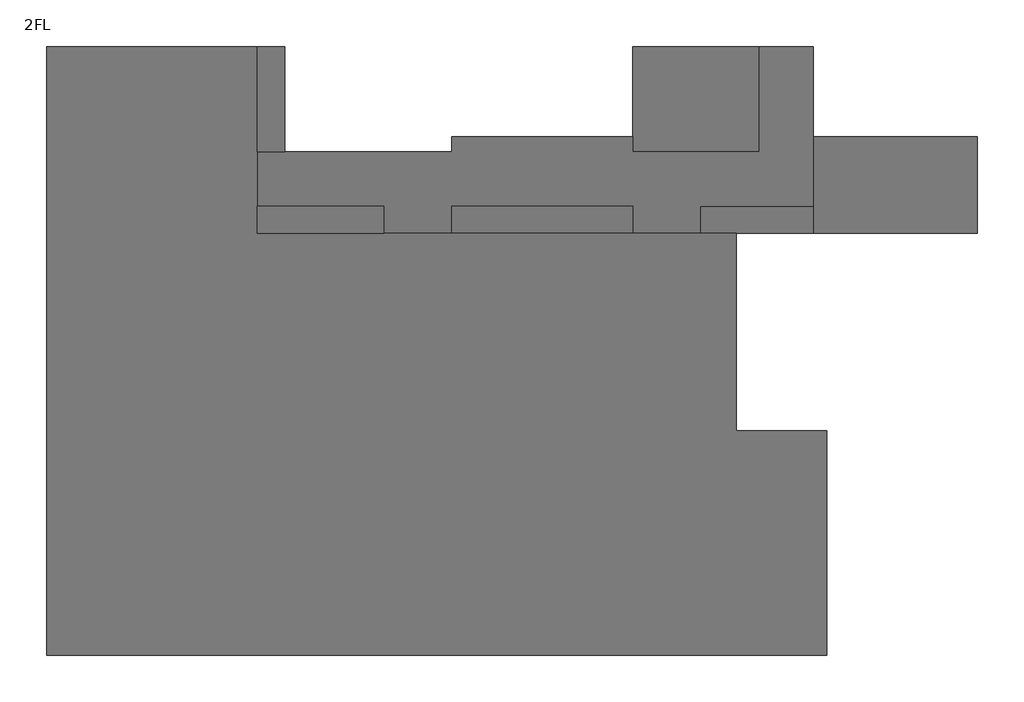
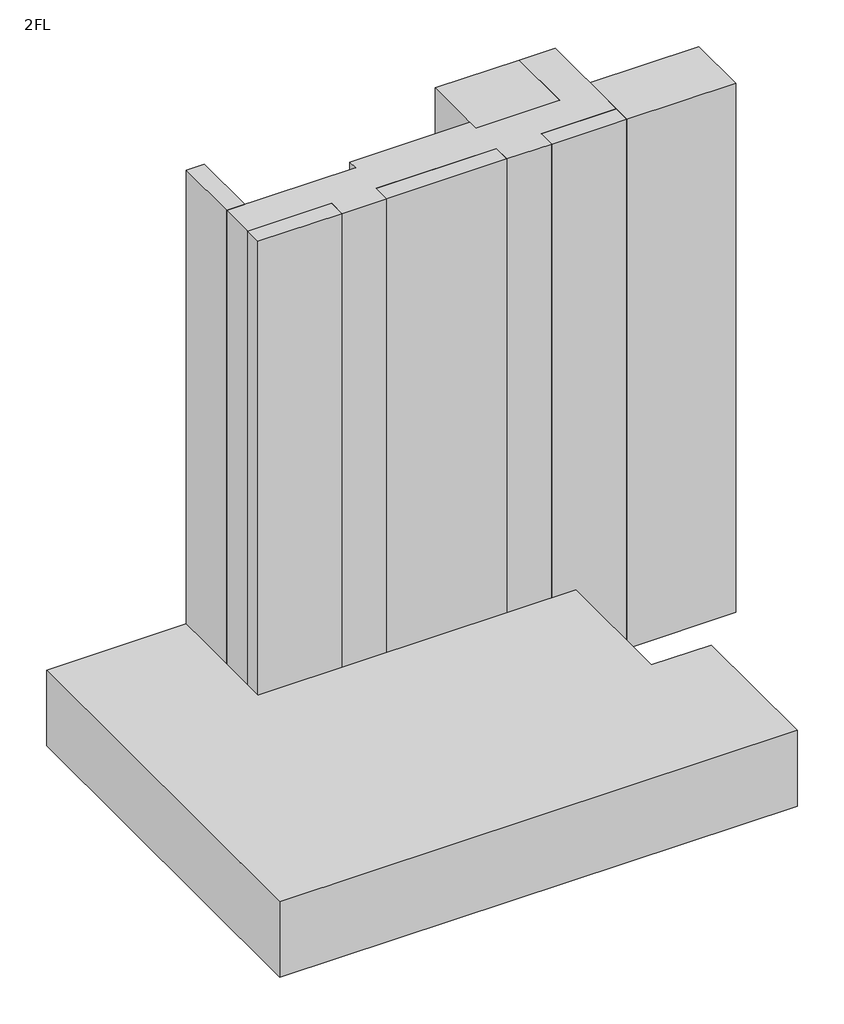
# One storey: 8 proxies.
"""IFC4 building model written with IfcOpenShell, lengths in millimetres."""

from ifc_helpers import new_model, si_unit, frame, origin, place, context, project, spatial, polyline, outline, extrude, element, save

model = new_model("IFC4")

# Units and contexts
model_context = context("Model", 3, world=origin())
ifc_project = project(units=[si_unit("LENGTHUNIT", "METRE", prefix="MILLI")], contexts=[model_context])

# Site, building, storey
site = spatial("IfcSite", under=ifc_project)
building = spatial("IfcBuilding", under=site)
storey = spatial("IfcBuildingStorey", under=building, Name="2FL", Elevation=4600.0)

# Proxies
placement = place(None, origin())
element("IfcBuildingElementProxy", 1, Name="Mass", at=placement, inside=storey, context=model_context, shape_type="SweptSolid", body=[
    extrude(outline(polyline([(-5195.9784025, 16649.6868987), (-5195.9784025, 13149.6868987), (-9395.9784025, 13149.6868987), (-9395.9784025, 16649.6868987), (-5195.9784025, 16649.6868987)])), frame((0.0, 0.0, 4600.0), z_axis=(0.0, 0.0, 1.0), x_axis=(1.0, 0.0, 0.0)), (0.0, 0.0, 1.0), 28000.0),
])
element("IfcBuildingElementProxy", 2, Name="Mass", at=placement, inside=storey, context=model_context, shape_type="SweptSolid", body=[
    extrude(outline(polyline([(2054.0215975, 13649.6868987), (2054.0215975, 10449.6868987), (-3395.9784025, 10449.6868987), (-3395.9784025, 13649.6868987), (2054.0215975, 13649.6868987)])), frame((0.0, 0.0, 4600.0), z_axis=(0.0, 0.0, 1.0), x_axis=(1.0, 0.0, 0.0)), (0.0, 0.0, 1.0), 28000.0),
])
element("IfcBuildingElementProxy", 3, Name="Mass", at=placement, inside=storey, context=model_context, shape_type="SweptSolid", body=[
    extrude(outline(polyline([(-20945.9784025, 16649.6868987), (-20945.9784025, 13149.6868987), (-21845.9784025, 13149.6868987), (-21845.9784025, 16649.6868987), (-20945.9784025, 16649.6868987)])), frame((0.0, 0.0, 4600.0), z_axis=(0.0, 0.0, 1.0), x_axis=(1.0, 0.0, 0.0)), (0.0, 0.0, 1.0), 28000.0),
])
element("IfcBuildingElementProxy", 4, Name="Mass", at=placement, inside=storey, context=model_context, shape_type="SweptSolid", body=[
    extrude(outline(polyline([(-17645.9784025, 11349.6868987), (-17645.9784025, 10449.6868987), (-21845.9784025, 10449.6868987), (-21845.9784025, 11349.6868987), (-17645.9784025, 11349.6868987)])), frame((0.0, 0.0, 4600.0), z_axis=(0.0, 0.0, 1.0), x_axis=(1.0, 0.0, 0.0)), (0.0, 0.0, 1.0), 28000.0),
])
element("IfcBuildingElementProxy", 5, Name="Mass", at=placement, inside=storey, context=model_context, shape_type="SweptSolid", body=[
    extrude(outline(polyline([(-9395.9784025, 11349.6868987), (-9395.9784025, 10449.6868987), (-15395.9784025, 10449.6868987), (-15395.9784025, 11349.6868987), (-9395.9784025, 11349.6868987)])), frame((0.0, 0.0, 4600.0), z_axis=(0.0, 0.0, 1.0), x_axis=(1.0, 0.0, 0.0)), (0.0, 0.0, 1.0), 28000.0),
])
element("IfcBuildingElementProxy", 6, Name="Mass", at=placement, inside=storey, context=model_context, shape_type="SweptSolid", body=[
    extrude(outline(polyline([(-3395.9784025, 11349.6868987), (-3395.9784025, 10449.6868987), (-7145.9784025, 10449.6868987), (-7145.9784025, 11349.6868987), (-3395.9784025, 11349.6868987)])), frame((0.0, 0.0, 4600.0), z_axis=(0.0, 0.0, 1.0), x_axis=(1.0, 0.0, 0.0)), (0.0, 0.0, 1.0), 28000.0),
])
element("IfcBuildingElementProxy", 7, Name="Mass", at=placement, inside=storey, context=model_context, shape_type="SweptSolid", body=[
    extrude(outline(polyline([(-15395.9784025, 13149.6868987), (-15395.9784025, 13649.6868987), (-9395.9784025, 13649.6868987), (-9395.9784025, 13149.6868987), (-5195.9784025, 13149.6868987), (-5195.9784025, 16649.6868987), (-3395.9784025, 16649.6868987), (-3395.9784025, 11349.6868987), (-7145.9784025, 11349.6868987), (-7145.9784025, 10449.6868987), (-9395.9784025, 10449.6868987), (-9395.9784025, 11349.6868987), (-15395.9784025, 11349.6868987), (-15395.9784025, 10449.6868987), (-17645.9784025, 10449.6868987), (-17645.9784025, 11349.6868987), (-21845.9784025, 11349.6868987), (-21845.9784025, 13149.6868987), (-15395.9784025, 13149.6868987)])), frame((0.0, 0.0, 4600.0), z_axis=(0.0, 0.0, 1.0), x_axis=(1.0, 0.0, 0.0)), (0.0, 0.0, 1.0), 28000.0),
])
element("IfcBuildingElementProxy", 8, Name="Mass", at=placement, inside=storey, context=model_context, shape_type="SweptSolid", body=[
    extrude(outline(polyline([(-21845.9784025, 16649.6868987), (-21845.9784025, 10449.6868987), (-5945.9784025, 10449.6868987), (-5945.9784025, 3899.6868987), (-2945.9784025, 3899.6868987), (-2945.9784025, -3550.3131013), (-28845.9784025, -3550.3131013), (-28845.9784025, 16649.6868987), (-21845.9784025, 16649.6868987)])), frame((0.0, 0.0, 4600.0), z_axis=(0.0, 0.0, 1.0), x_axis=(1.0, 0.0, 0.0)), (0.0, 0.0, 1.0), 4000.0),
])

save(model, "model.ifc")
